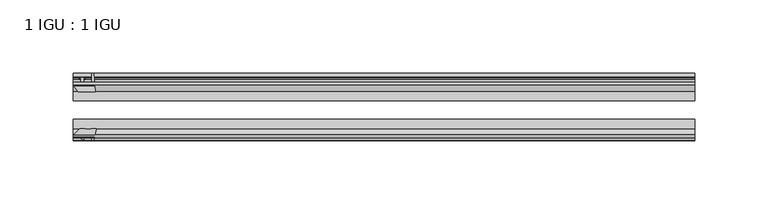
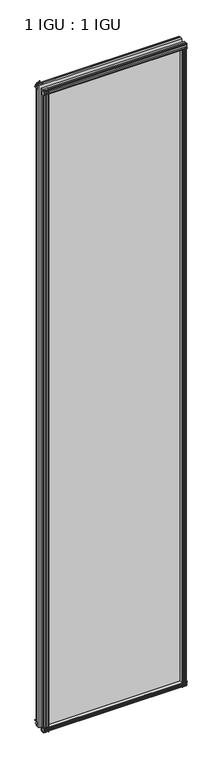
"""IFC4 building model written with IfcOpenShell, lengths in millimetres: plate geometry, 1 IGU : 1 IGU."""

from ifc_helpers import new_model, si_unit, point, frame, frame_2d, origin, place, context, project, spatial, polyline, circle_curve, trimmed, segment, composite_curve, outline, extrude, source, transform, mapped, element, save


def plate_1_igu_1_igu_de596e29(model_context):
    return source(origin(), model_context, "Body", "SweptSolid", [
        extrude(outline(polyline([(-24.9039062, 2.5763839), (-12.2039062, 1.5739665), (-12.2039062, 0.0), (-18.5539062, 0.0), (-18.5539062, -4.953), (-16.254502, -5.5691235), (-16.6301757, -4.1670901), (-15.7714677, -3.937), (-15.1249062, -6.35), (-15.7714677, -8.763), (-16.6301757, -8.5329099), (-16.254502, -7.1308765), (-18.5539062, -7.747), (-18.5539062, -12.7), (-20.5859062, -12.7), (-24.9039062, -9.1036931), (-24.9039062, 2.5763839)])), frame((-213.8499253, 0.0, 0.0), z_axis=(1.0, 0.0, 0.0), x_axis=(0.0, 1.0, 0.0)), (0.0, 0.0, 1.0), 426.0131319),
        extrude(outline(composite_curve([segment(polyline([(-58.2287402, 1.5687054), (-50.3039062, 3.0983599), (-50.3039062, -7.92383), (-54.4858806, -12.1058044)]), True, "CONTINUOUS"), segment(trimmed(circle_curve(frame_2d((-55.3839062, -11.2077788)), 1.27), [point((-54.4858806, -12.1058044))], [point((-56.6539062, -11.2077788))], False, "CARTESIAN"), True, "CONTINUOUS"), segment(polyline([(-56.6539062, -11.2077788), (-56.6539062, -8.0327788), (-58.1332022, -5.4488186), (-56.6539062, -5.1879788), (-56.6539062, 0.2222212), (-58.2287402, 0.0), (-58.2287402, 1.5687054)]), True, "CONTINUOUS")], self_intersect=False)), frame((-213.8499253, 0.0, 0.0), z_axis=(1.0, 0.0, 0.0), x_axis=(0.0, 1.0, 0.0)), (0.0, 0.0, 1.0), 426.0131319),
        extrude(outline(polyline([(-18.5539063, 2001.656525), (-16.254502, 2001.0404015), (-16.6301757, 2002.4424349), (-15.7714677, 2002.672525), (-15.1249063, 2000.259525), (-15.7714677, 1997.846525), (-16.6301757, 1998.0766151), (-16.254502, 1999.4786485), (-18.5539063, 1998.862525), (-18.5539063, 1993.909525), (-12.2039062, 1993.909525), (-12.2039062, 1992.3355584), (-24.9039063, 1991.3331411), (-24.9039063, 2003.0132181), (-20.5859063, 2006.609525), (-18.5539063, 2006.609525), (-18.5539063, 2001.656525)])), frame((-213.8499253, 0.0, 0.0), z_axis=(1.0, 0.0, 0.0), x_axis=(0.0, 1.0, 0.0)), (0.0, 0.0, 1.0), 426.0131319),
        extrude(outline(composite_curve([segment(polyline([(-50.3039063, 2001.833355), (-50.3039063, 1990.8111651), (-58.2287402, 1992.3408196), (-58.2287402, 1993.909525), (-56.6539063, 1993.6873038), (-56.6539063, 1999.0975038), (-58.1332023, 1999.3583436), (-56.6539063, 2001.9423038), (-56.6539063, 2005.1173038)]), True, "CONTINUOUS"), segment(trimmed(circle_curve(frame_2d((-55.3839063, 2005.1173038)), 1.27), [point((-56.6539063, 2005.1173038))], [point((-54.4858806, 2006.0153294))], False, "CARTESIAN"), True, "CONTINUOUS"), segment(polyline([(-54.4858806, 2006.0153294), (-50.3039063, 2001.833355)]), True, "CONTINUOUS")], self_intersect=False)), frame((-213.8499253, 0.0, 0.0), z_axis=(1.0, 0.0, 0.0), x_axis=(0.0, 1.0, 0.0)), (0.0, 0.0, 1.0), 426.0131319),
        extrude(outline(composite_curve([segment(polyline([(197.7321626, -57.3876965), (196.3648466, -50.3039063), (207.3870366, -50.3039063), (211.569011, -54.4858806)]), True, "CONTINUOUS"), segment(trimmed(circle_curve(frame_2d((210.6709854, -55.3839062)), 1.27), [point((211.569011, -54.4858806))], [point((210.6709854, -56.6539062))], False, "CARTESIAN"), True, "CONTINUOUS"), segment(polyline([(210.6709854, -56.6539062), (207.4959854, -56.6539063), (204.9120252, -58.1332022), (204.6511854, -56.6539063), (199.2409854, -56.6539063), (199.4632066, -58.2287402), (198.4988858, -58.2014026)]), True, "CONTINUOUS"), segment(trimmed(circle_curve(frame_2d((198.7329854, -57.2127402)), 1.016), [point((198.4988858, -58.2014026))], [point((197.7321626, -57.3876965))], False, "CARTESIAN"), True, "CONTINUOUS")], self_intersect=False)), frame((0.0, 0.0, -12.7), z_axis=(0.0, 0.0, 1.0), x_axis=(1.0, 0.0, 0.0)), (0.0, 0.0, 1.0), 2007.0064),
        extrude(outline(polyline([(204.4162066, -18.5539062), (205.0323301, -16.254502), (203.6302967, -16.6301757), (203.4002066, -15.7714677), (205.8132066, -15.1249062), (208.2262066, -15.7714677), (207.9961164, -16.6301757), (206.5940831, -16.254502), (207.2102066, -18.5539062), (212.1632066, -18.5539062), (212.1632066, -20.5859062), (208.5668997, -24.9039063), (196.8868226, -24.9039063), (197.88924, -12.2039062), (199.4632066, -12.2039062), (199.4632066, -18.5539062), (204.4162066, -18.5539062)])), frame((0.0, 0.0, -12.7), z_axis=(0.0, 0.0, 1.0), x_axis=(1.0, 0.0, 0.0)), (0.0, 0.0, 1.0), 2007.0064),
        extrude(outline(composite_curve([segment(polyline([(-209.1827041, -56.6539062), (-212.3577041, -56.6539062)]), True, "CONTINUOUS"), segment(trimmed(circle_curve(frame_2d((-212.3577041, -55.3839062)), 1.27), [point((-212.3577041, -56.6539062))], [point((-213.2557297, -54.4858806))], False, "CARTESIAN"), True, "CONTINUOUS"), segment(polyline([(-213.2557297, -54.4858806), (-209.0737553, -50.3039062), (-205.4042099, -50.3039062)]), True, "CONTINUOUS"), segment(trimmed(circle_curve(frame_2d((-203.3407041, -46.3669062)), 4.445), [point((-205.4042099, -50.3039062))], [point((-201.2771984, -50.3039062))], True, "CARTESIAN"), True, "CONTINUOUS"), segment(polyline([(-201.2771984, -50.3039062), (-198.0515654, -50.3039062), (-199.5812199, -58.2287402), (-201.1499253, -58.2287402), (-200.9277041, -56.6539062), (-206.3379041, -56.6539062), (-206.5987439, -58.1332022), (-209.1827041, -56.6539062)]), True, "CONTINUOUS")], self_intersect=False)), frame((0.0, 0.0, -12.7), z_axis=(0.0, 0.0, 1.0), x_axis=(1.0, 0.0, 0.0)), (0.0, 0.0, 1.0), 2019.309525),
        extrude(outline(polyline([(-198.5735414, -24.9039062), (-210.2536184, -24.9039062), (-213.8499253, -20.5859062), (-213.8499253, -18.5539062), (-208.8969253, -18.5539062), (-208.2808018, -16.254502), (-209.6828352, -16.6301757), (-209.9129253, -15.7714677), (-207.4999253, -15.1249062), (-205.0869253, -15.7714677), (-205.3170155, -16.6301757), (-206.7190488, -16.254502), (-206.1029253, -18.5539062), (-201.1499253, -18.5539062), (-201.1499253, -12.2039062), (-199.5759588, -12.2039062), (-198.5735414, -24.9039062)])), frame((0.0, 0.0, -12.7), z_axis=(0.0, 0.0, 1.0), x_axis=(1.0, 0.0, 0.0)), (0.0, 0.0, 1.0), 2019.309525),
        extrude(outline(polyline([(212.1632066, -24.9039062), (212.1632066, -31.2031063), (-213.8499253, -31.2031063), (-213.8499253, -24.9039062), (212.1632066, -24.9039062)])), frame((0.0, 0.0, -12.7), z_axis=(0.0, 0.0, 1.0), x_axis=(1.0, 0.0, 0.0)), (0.0, 0.0, 1.0), 2019.309525),
        extrude(outline(polyline([(-213.8499253, -44.0047063), (212.1632066, -44.0047063), (212.1632066, -50.3039062), (-213.8499253, -50.3039062), (-213.8499253, -44.0047063)])), frame((0.0, 0.0, -12.7), z_axis=(0.0, 0.0, 1.0), x_axis=(1.0, 0.0, 0.0)), (0.0, 0.0, 1.0), 2019.309525),
    ])


if __name__ == "__main__":
    model = new_model("IFC4")
    model_context = context("Model", 3, world=origin())
    ifc_project = project(units=[si_unit("LENGTHUNIT", "METRE", prefix="MILLI")], contexts=[model_context])
    site = spatial("IfcSite", under=ifc_project)
    building = spatial("IfcBuilding", under=site)
    placement = place(None, origin())
    plate_1_igu_1_igu_shape = plate_1_igu_1_igu_de596e29(model_context)
    element("IfcPlate", 1, ObjectType="1 IGU : 1 IGU", at=placement, inside=building, context=model_context, shape_type="MappedRepresentation", body=[
        mapped(plate_1_igu_1_igu_shape, transform((0.0, 0.0, 0.0), x_axis=(1.0, 0.0, 0.0), y_axis=(0.0, 1.0, 0.0), z_axis=(0.0, 0.0, 1.0))),
    ])
    save(model, "model.ifc")
